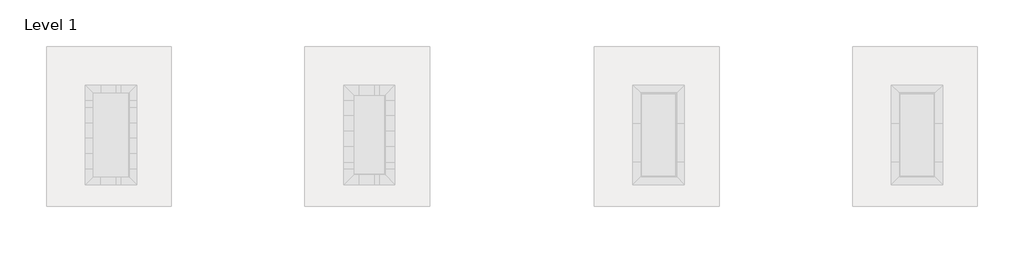
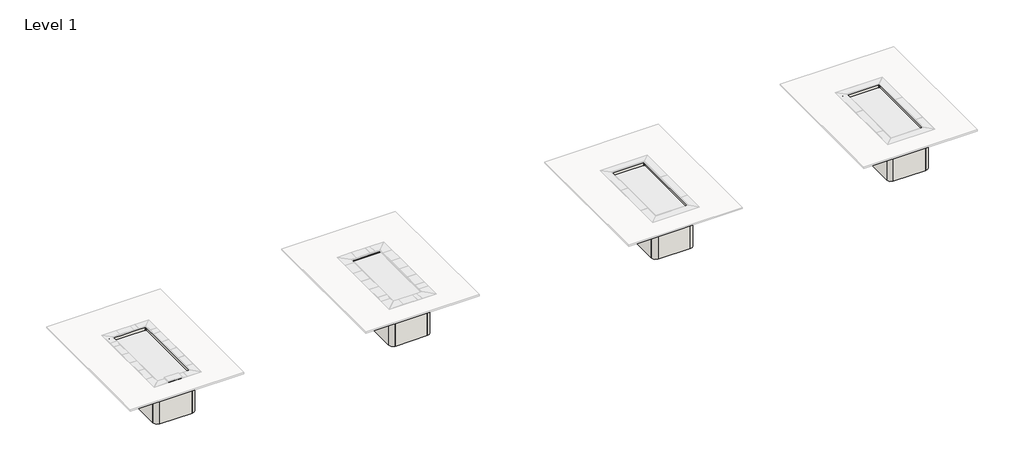
# One storey, part 1 of 2: 32 walls.
"""IFC4 building model written with IfcOpenShell, lengths in millimetres."""

from ifc_helpers import new_model, si_unit, point, frame, frame_2d, origin, place, context, project, spatial, polyline, circle_curve, trimmed, segment, composite_curve, outline, extrude, faceted_brep, element, save
from ifc_brep_helpers import plane_surface, cylinder_surface, revolved_surface, advanced_brep

model = new_model("IFC4")

# Units and contexts
model_context = context("Model", 3, world=origin())
ifc_project = project(units=[si_unit("LENGTHUNIT", "METRE", prefix="MILLI")], contexts=[model_context])

# Site, building, storey
site = spatial("IfcSite", under=ifc_project)
building = spatial("IfcBuilding", under=site)
storey = spatial("IfcBuildingStorey", under=building, Name="Level 1", Elevation=0.0)

# Walls
placement = place(None, origin())
element("IfcWall", 1, ObjectType="Pool - 6\"", at=placement, inside=storey, context=model_context, shape_type="SweptSolid", body=[
    extrude(outline(polyline([(20651.7440621, 4531.3646516), (20651.7440621, 1230.1483634), (20499.3440621, 1230.1483634), (20499.3440621, 4531.3646516), (20651.7440621, 4531.3646516)])), frame((0.0, 0.0, -1828.8), z_axis=(0.0, 0.0, 1.0), x_axis=(1.0, 0.0, 0.0)), (0.0, 0.0, 1.0), 1828.8),
])
element("IfcWall", 2, ObjectType="Pool - 6\"", at=placement, inside=storey, context=model_context, shape_type="SweptSolid", body=[
    extrude(outline(polyline([(19064.2440621, 4721.8646516), (20461.2440621, 4721.8646516), (20461.2440621, 4569.4646516), (19064.2440621, 4569.4646516), (19064.2440621, 4721.8646516)])), frame((0.0, 0.0, -1828.8), z_axis=(0.0, 0.0, 1.0), x_axis=(1.0, 0.0, 0.0)), (0.0, 0.0, 1.0), 1828.8),
])
element("IfcWall", 3, ObjectType="Pool - 6\"", at=placement, inside=storey, context=model_context, shape_type="SweptSolid", body=[
    extrude(outline(polyline([(18873.7440621, 1230.1483634), (18873.7440621, 4531.3646516), (19026.1440621, 4531.3646516), (19026.1440621, 1230.1483634), (18873.7440621, 1230.1483634)])), frame((0.0, 0.0, -1828.8), z_axis=(0.0, 0.0, 1.0), x_axis=(1.0, 0.0, 0.0)), (0.0, 0.0, 1.0), 1828.8),
])
element("IfcWall", 4, ObjectType="Pool - 6\"", at=placement, inside=storey, context=model_context, shape_type="SweptSolid", body=[
    extrude(outline(composite_curve([segment(polyline([(20651.7440621, 4531.3646516), (20499.3440621, 4531.3646516)]), True, "CONTINUOUS"), segment(trimmed(circle_curve(frame_2d((20461.2440621, 4531.3646516)), 38.1), [point((20499.3440621, 4531.3646516))], [point((20461.2440621, 4569.4646516))], True, "CARTESIAN"), True, "CONTINUOUS"), segment(polyline([(20461.2440621, 4569.4646516), (20461.2440621, 4721.8646516)]), True, "CONTINUOUS"), segment(trimmed(circle_curve(frame_2d((20461.2440621, 4531.3646516)), 190.5), [point((20461.2440621, 4721.8646516))], [point((20651.7440621, 4531.3646516))], False, "CARTESIAN"), True, "CONTINUOUS")], self_intersect=False)), frame((0.0, 0.0, -1828.8), z_axis=(0.0, 0.0, 1.0), x_axis=(1.0, 0.0, 0.0)), (0.0, 0.0, 1.0), 1828.8),
])
element("IfcWall", 5, ObjectType="Pool - 6\"", at=placement, inside=storey, context=model_context, shape_type="SweptSolid", body=[
    extrude(outline(composite_curve([segment(polyline([(19026.1440621, 4531.3646516), (18873.7440621, 4531.3646516)]), True, "CONTINUOUS"), segment(trimmed(circle_curve(frame_2d((19064.2440621, 4531.3646516)), 190.5), [point((18873.7440621, 4531.3646516))], [point((19064.2440621, 4721.8646516))], False, "CARTESIAN"), True, "CONTINUOUS"), segment(polyline([(19064.2440621, 4721.8646516), (19064.2440621, 4569.4646516)]), True, "CONTINUOUS"), segment(trimmed(circle_curve(frame_2d((19064.2440621, 4531.3646516)), 38.1), [point((19064.2440621, 4569.4646516))], [point((19026.1440621, 4531.3646516))], True, "CARTESIAN"), True, "CONTINUOUS")], self_intersect=False)), frame((0.0, 0.0, -1828.8), z_axis=(0.0, 0.0, 1.0), x_axis=(1.0, 0.0, 0.0)), (0.0, 0.0, 1.0), 1828.8),
])
element("IfcWall", 6, ObjectType="Pool - 6\"", at=placement, inside=storey, context=model_context, shape_type="Brep", body=[
    faceted_brep([(30862.5440621, 1230.1483634, -1828.8), (30862.5440621, 4531.3646516, -1828.8), (30862.5440621, 4531.3646516, 0.0), (30862.5440621, 1230.1483634, 0.0), (30710.1440621, 1230.1483634, -1828.8), (30710.1440621, 1230.1483634, 0.0), (30710.1440621, 4531.3646516, 0.0), (30710.1440621, 4531.3646516, -1828.8), (30862.1071062, 1230.1483634, -1828.8), (30862.1071062, 1230.1483634, 0.0)], [[[0, 1, 2, 3]], [[4, 5, 6, 7]], [[1, 0, 8, 4, 7]], [[2, 1, 7, 6]], [[3, 2, 6, 5, 9]], [[0, 3, 9, 5, 4, 8]]]),
])
element("IfcWall", 7, ObjectType="Pool - 6\"", at=placement, inside=storey, context=model_context, shape_type="SweptSolid", body=[
    extrude(outline(polyline([(29275.0440621, 4721.8646516), (30672.0440621, 4721.8646516), (30672.0440621, 4569.4646516), (29275.0440621, 4569.4646516), (29275.0440621, 4721.8646516)])), frame((0.0, 0.0, -1828.8), z_axis=(0.0, 0.0, 1.0), x_axis=(1.0, 0.0, 0.0)), (0.0, 0.0, 1.0), 1828.8),
])
element("IfcWall", 8, ObjectType="Pool - 6\"", at=placement, inside=storey, context=model_context, shape_type="Brep", body=[
    faceted_brep([(29084.5440621, 4531.3646516, -1828.8), (29084.5440621, 1230.1483634, -1828.8), (29084.5440621, 1230.1483634, 0.0), (29084.5440621, 4531.3646516, 0.0), (29236.9440621, 4531.3646516, -1828.8), (29236.9440621, 4531.3646516, 0.0), (29236.9440621, 1230.1483634, 0.0), (29236.9440621, 1230.1483634, -1828.8), (29236.5071062, 1230.1483634, -1828.8), (29236.5071062, 1230.1483634, 0.0)], [[[0, 1, 2, 3]], [[4, 5, 6, 7]], [[1, 0, 4, 7, 8]], [[2, 1, 8, 7, 6, 9]], [[3, 2, 9, 6, 5]], [[0, 3, 5, 4]]]),
])
element("IfcWall", 9, ObjectType="Pool - 6\"", at=placement, inside=storey, context=model_context, shape_type="SweptSolid", body=[
    extrude(outline(composite_curve([segment(polyline([(30862.5440621, 4531.3646516), (30710.1440621, 4531.3646516)]), True, "CONTINUOUS"), segment(trimmed(circle_curve(frame_2d((30672.0440621, 4531.3646516)), 38.1), [point((30710.1440621, 4531.3646516))], [point((30672.0440621, 4569.4646516))], True, "CARTESIAN"), True, "CONTINUOUS"), segment(polyline([(30672.0440621, 4569.4646516), (30672.0440621, 4721.8646516)]), True, "CONTINUOUS"), segment(trimmed(circle_curve(frame_2d((30672.0440621, 4531.3646516)), 190.5), [point((30672.0440621, 4721.8646516))], [point((30862.5440621, 4531.3646516))], False, "CARTESIAN"), True, "CONTINUOUS")], self_intersect=False)), frame((0.0, 0.0, -1828.8), z_axis=(0.0, 0.0, 1.0), x_axis=(1.0, 0.0, 0.0)), (0.0, 0.0, 1.0), 1828.8),
])
element("IfcWall", 10, ObjectType="Pool - 6\"", at=placement, inside=storey, context=model_context, shape_type="SweptSolid", body=[
    extrude(outline(composite_curve([segment(polyline([(29236.9440621, 4531.3646516), (29084.5440621, 4531.3646516)]), True, "CONTINUOUS"), segment(trimmed(circle_curve(frame_2d((29275.0440621, 4531.3646516)), 190.5), [point((29084.5440621, 4531.3646516))], [point((29275.0440621, 4721.8646516))], False, "CARTESIAN"), True, "CONTINUOUS"), segment(polyline([(29275.0440621, 4721.8646516), (29275.0440621, 4569.4646516)]), True, "CONTINUOUS"), segment(trimmed(circle_curve(frame_2d((29275.0440621, 4531.3646516)), 38.1), [point((29275.0440621, 4569.4646516))], [point((29236.9440621, 4531.3646516))], True, "CARTESIAN"), True, "CONTINUOUS")], self_intersect=False)), frame((0.0, 0.0, -1828.8), z_axis=(0.0, 0.0, 1.0), x_axis=(1.0, 0.0, 0.0)), (0.0, 0.0, 1.0), 1828.8),
])
element("IfcWall", 11, ObjectType="Pool - 6\"", at=placement, inside=storey, context=model_context, shape_type="Brep", body=[
    faceted_brep([(42292.5440621, 1230.1483634, -1828.8), (42292.5440621, 4531.3646516, -1828.8), (42292.5440621, 4531.3646516, 0.0), (42292.5440621, 1230.1483634, 0.0), (42140.1440621, 1230.1483634, -1828.8), (42140.1440621, 1230.1483634, 0.0), (42140.1440621, 4531.3646516, 0.0), (42140.1440621, 4531.3646516, -1828.8), (42292.1071062, 1230.1483634, -1828.8), (42292.1071062, 1230.1483634, 0.0)], [[[0, 1, 2, 3]], [[4, 5, 6, 7]], [[1, 0, 8, 4, 7]], [[2, 1, 7, 6]], [[3, 2, 6, 5, 9]], [[0, 3, 9, 5, 4, 8]]]),
])
element("IfcWall", 12, ObjectType="Pool - 6\"", at=placement, inside=storey, context=model_context, shape_type="SweptSolid", body=[
    extrude(outline(polyline([(40705.0440621, 4721.8646516), (42102.0440621, 4721.8646516), (42102.0440621, 4569.4646516), (40705.0440621, 4569.4646516), (40705.0440621, 4721.8646516)])), frame((0.0, 0.0, -1828.8), z_axis=(0.0, 0.0, 1.0), x_axis=(1.0, 0.0, 0.0)), (0.0, 0.0, 1.0), 1828.8),
])
element("IfcWall", 13, ObjectType="Pool - 6\"", at=placement, inside=storey, context=model_context, shape_type="Brep", body=[
    faceted_brep([(40514.5440621, 4531.3646516, -1828.8), (40514.5440621, 1230.1483634, -1828.8), (40514.5440621, 1230.1483634, 0.0), (40514.5440621, 4531.3646516, 0.0), (40666.9440621, 4531.3646516, -1828.8), (40666.9440621, 4531.3646516, 0.0), (40666.9440621, 1230.1483634, 0.0), (40666.9440621, 1230.1483634, -1828.8), (40666.5071062, 1230.1483634, -1828.8), (40666.5071062, 1230.1483634, 0.0)], [[[0, 1, 2, 3]], [[4, 5, 6, 7]], [[1, 0, 4, 7, 8]], [[2, 1, 8, 7, 6, 9]], [[3, 2, 9, 6, 5]], [[0, 3, 5, 4]]]),
])
element("IfcWall", 14, ObjectType="Pool - 6\"", at=placement, inside=storey, context=model_context, shape_type="SweptSolid", body=[
    extrude(outline(composite_curve([segment(polyline([(42292.5440621, 4531.3646516), (42140.1440621, 4531.3646516)]), True, "CONTINUOUS"), segment(trimmed(circle_curve(frame_2d((42102.0440621, 4531.3646516)), 38.1), [point((42140.1440621, 4531.3646516))], [point((42102.0440621, 4569.4646516))], True, "CARTESIAN"), True, "CONTINUOUS"), segment(polyline([(42102.0440621, 4569.4646516), (42102.0440621, 4721.8646516)]), True, "CONTINUOUS"), segment(trimmed(circle_curve(frame_2d((42102.0440621, 4531.3646516)), 190.5), [point((42102.0440621, 4721.8646516))], [point((42292.5440621, 4531.3646516))], False, "CARTESIAN"), True, "CONTINUOUS")], self_intersect=False)), frame((0.0, 0.0, -1828.8), z_axis=(0.0, 0.0, 1.0), x_axis=(1.0, 0.0, 0.0)), (0.0, 0.0, 1.0), 1828.8),
])
element("IfcWall", 15, ObjectType="Pool - 6\"", at=placement, inside=storey, context=model_context, shape_type="SweptSolid", body=[
    extrude(outline(composite_curve([segment(polyline([(40666.9440621, 4531.3646516), (40514.5440621, 4531.3646516)]), True, "CONTINUOUS"), segment(trimmed(circle_curve(frame_2d((40705.0440621, 4531.3646516)), 190.5), [point((40514.5440621, 4531.3646516))], [point((40705.0440621, 4721.8646516))], False, "CARTESIAN"), True, "CONTINUOUS"), segment(polyline([(40705.0440621, 4721.8646516), (40705.0440621, 4569.4646516)]), True, "CONTINUOUS"), segment(trimmed(circle_curve(frame_2d((40705.0440621, 4531.3646516)), 38.1), [point((40705.0440621, 4569.4646516))], [point((40666.9440621, 4531.3646516))], True, "CARTESIAN"), True, "CONTINUOUS")], self_intersect=False)), frame((0.0, 0.0, -1828.8), z_axis=(0.0, 0.0, 1.0), x_axis=(1.0, 0.0, 0.0)), (0.0, 0.0, 1.0), 1828.8),
])
element("IfcWall", 16, ObjectType="Pool - 6\"", at=placement, inside=storey, context=model_context, shape_type="Brep", body=[
    faceted_brep([(52503.3440621, 1230.1483634, -1828.8), (52503.3440621, 4531.3646516, -1828.8), (52503.3440621, 4531.3646516, 0.0), (52503.3440621, 1230.1483634, 0.0), (52350.9440621, 1230.1483634, -1828.8), (52350.9440621, 1230.1483634, 0.0), (52350.9440621, 4531.3646516, 0.0), (52350.9440621, 4531.3646516, -1828.8), (52502.9071062, 1230.1483634, -1828.8), (52502.9071062, 1230.1483634, 0.0)], [[[0, 1, 2, 3]], [[4, 5, 6, 7]], [[1, 0, 8, 4, 7]], [[2, 1, 7, 6]], [[3, 2, 6, 5, 9]], [[0, 3, 9, 5, 4, 8]]]),
])
element("IfcWall", 17, ObjectType="Pool - 6\"", at=placement, inside=storey, context=model_context, shape_type="SweptSolid", body=[
    extrude(outline(polyline([(50915.8440621, 4721.8646516), (52312.8440621, 4721.8646516), (52312.8440621, 4569.4646516), (50915.8440621, 4569.4646516), (50915.8440621, 4721.8646516)])), frame((0.0, 0.0, -1828.8), z_axis=(0.0, 0.0, 1.0), x_axis=(1.0, 0.0, 0.0)), (0.0, 0.0, 1.0), 1828.8),
])
element("IfcWall", 18, ObjectType="Pool - 6\"", at=placement, inside=storey, context=model_context, shape_type="Brep", body=[
    faceted_brep([(50725.3440621, 4531.3646516, -1828.8), (50725.3440621, 1230.1483634, -1828.8), (50725.3440621, 1230.1483634, 0.0), (50725.3440621, 4531.3646516, 0.0), (50877.7440621, 4531.3646516, -1828.8), (50877.7440621, 4531.3646516, 0.0), (50877.7440621, 1230.1483634, 0.0), (50877.7440621, 1230.1483634, -1828.8), (50877.3071062, 1230.1483634, -1828.8), (50877.3071062, 1230.1483634, 0.0)], [[[0, 1, 2, 3]], [[4, 5, 6, 7]], [[1, 0, 4, 7, 8]], [[2, 1, 8, 7, 6, 9]], [[3, 2, 9, 6, 5]], [[0, 3, 5, 4]]]),
])
element("IfcWall", 19, ObjectType="Pool - 6\"", at=placement, inside=storey, context=model_context, shape_type="SweptSolid", body=[
    extrude(outline(composite_curve([segment(polyline([(52503.3440621, 4531.3646516), (52350.9440621, 4531.3646516)]), True, "CONTINUOUS"), segment(trimmed(circle_curve(frame_2d((52312.8440621, 4531.3646516)), 38.1), [point((52350.9440621, 4531.3646516))], [point((52312.8440621, 4569.4646516))], True, "CARTESIAN"), True, "CONTINUOUS"), segment(polyline([(52312.8440621, 4569.4646516), (52312.8440621, 4721.8646516)]), True, "CONTINUOUS"), segment(trimmed(circle_curve(frame_2d((52312.8440621, 4531.3646516)), 190.5), [point((52312.8440621, 4721.8646516))], [point((52503.3440621, 4531.3646516))], False, "CARTESIAN"), True, "CONTINUOUS")], self_intersect=False)), frame((0.0, 0.0, -1828.8), z_axis=(0.0, 0.0, 1.0), x_axis=(1.0, 0.0, 0.0)), (0.0, 0.0, 1.0), 1828.8),
])
element("IfcWall", 20, ObjectType="Pool - 6\"", at=placement, inside=storey, context=model_context, shape_type="SweptSolid", body=[
    extrude(outline(composite_curve([segment(polyline([(50877.7440621, 4531.3646516), (50725.3440621, 4531.3646516)]), True, "CONTINUOUS"), segment(trimmed(circle_curve(frame_2d((50915.8440621, 4531.3646516)), 190.5), [point((50725.3440621, 4531.3646516))], [point((50915.8440621, 4721.8646516))], False, "CARTESIAN"), True, "CONTINUOUS"), segment(polyline([(50915.8440621, 4721.8646516), (50915.8440621, 4569.4646516)]), True, "CONTINUOUS"), segment(trimmed(circle_curve(frame_2d((50915.8440621, 4531.3646516)), 38.1), [point((50915.8440621, 4569.4646516))], [point((50877.7440621, 4531.3646516))], True, "CARTESIAN"), True, "CONTINUOUS")], self_intersect=False)), frame((0.0, 0.0, -1828.8), z_axis=(0.0, 0.0, 1.0), x_axis=(1.0, 0.0, 0.0)), (0.0, 0.0, 1.0), 1828.8),
])
element("IfcWall", 21, ObjectType="Pool - 6\"", at=placement, inside=storey, context=model_context, shape_type="SweptSolid", body=[
    extrude(outline(polyline([(19064.2440621, 1192.0483634), (20461.2440621, 1192.0483634), (20461.2440621, 1039.6483634), (19064.2440621, 1039.6483634), (19064.2440621, 1192.0483634)])), frame((0.0, 0.0, -1828.8), z_axis=(0.0, 0.0, 1.0), x_axis=(1.0, 0.0, 0.0)), (0.0, 0.0, 1.0), 1828.8),
])
element("IfcWall", 22, ObjectType="Pool - 6\"", at=placement, inside=storey, context=model_context, shape_type="SweptSolid", body=[
    extrude(outline(composite_curve([segment(polyline([(20499.3440621, 1230.1483634), (20651.7440621, 1230.1483634)]), True, "CONTINUOUS"), segment(trimmed(circle_curve(frame_2d((20461.2440621, 1230.1483634)), 190.5), [point((20651.7440621, 1230.1483634))], [point((20461.2440621, 1039.6483634))], False, "CARTESIAN"), True, "CONTINUOUS"), segment(polyline([(20461.2440621, 1039.6483634), (20461.2440621, 1192.0483634)]), True, "CONTINUOUS"), segment(trimmed(circle_curve(frame_2d((20461.2440621, 1230.1483634)), 38.1), [point((20461.2440621, 1192.0483634))], [point((20499.3440621, 1230.1483634))], True, "CARTESIAN"), True, "CONTINUOUS")], self_intersect=False)), frame((0.0, 0.0, -1828.8), z_axis=(0.0, 0.0, 1.0), x_axis=(1.0, 0.0, 0.0)), (0.0, 0.0, 1.0), 1828.8),
])
element("IfcWall", 23, ObjectType="Pool - 6\"", at=placement, inside=storey, context=model_context, shape_type="SweptSolid", body=[
    extrude(outline(composite_curve([segment(polyline([(18873.7440621, 1230.1483634), (19026.1440621, 1230.1483634)]), True, "CONTINUOUS"), segment(trimmed(circle_curve(frame_2d((19064.2440621, 1230.1483634)), 38.1), [point((19026.1440621, 1230.1483634))], [point((19064.2440621, 1192.0483634))], True, "CARTESIAN"), True, "CONTINUOUS"), segment(polyline([(19064.2440621, 1192.0483634), (19064.2440621, 1039.6483634)]), True, "CONTINUOUS"), segment(trimmed(circle_curve(frame_2d((19064.2440621, 1230.1483634)), 190.5), [point((19064.2440621, 1039.6483634))], [point((18873.7440621, 1230.1483634))], False, "CARTESIAN"), True, "CONTINUOUS")], self_intersect=False)), frame((0.0, 0.0, -1828.8), z_axis=(0.0, 0.0, 1.0), x_axis=(1.0, 0.0, 0.0)), (0.0, 0.0, 1.0), 1828.8),
])
element("IfcWall", 24, ObjectType="Pool - 6\"", at=placement, inside=storey, context=model_context, shape_type="SweptSolid", body=[
    extrude(outline(polyline([(29274.6071062, 1192.0483634), (30671.6071062, 1192.0483634), (30671.6071062, 1039.6483634), (29274.6071062, 1039.6483634), (29274.6071062, 1192.0483634)])), frame((0.0, 0.0, -1828.8), z_axis=(0.0, 0.0, 1.0), x_axis=(1.0, 0.0, 0.0)), (0.0, 0.0, 1.0), 1828.8),
])
element("IfcWall", 25, ObjectType="Pool - 6\"", at=placement, inside=storey, context=model_context, shape_type="AdvancedBrep", body=[
    advanced_brep(
    [(30709.7071062, 1230.1483634, 0.0), (30671.6071062, 1192.0483634, 0.0), (30671.6071062, 1039.6483634, 0.0), (30862.1071062, 1230.1483634, 0.0), (30710.1440621, 1230.1483634, 0.0), (30709.7071062, 1230.1483634, -1828.8), (30710.1440621, 1230.1483634, -1828.8), (30862.1071062, 1230.1483634, -1828.8), (30671.6071062, 1039.6483634, -1828.8), (30671.6071062, 1192.0483634, -1828.8)],
    [
        (0, 1, circle_curve(frame((30671.6071062, 1230.1483634, 0.0), z_axis=(0.0, 0.0, -1.0), x_axis=(1.0, 0.0, 0.0)), 38.1)),
        (1, 2),
        (2, 3, circle_curve(frame((30671.6071062, 1230.1483634, 0.0), z_axis=(0.0, 0.0, 1.0), x_axis=(1.0, 0.0, 0.0)), 190.5)),
        (3, 4),
        (4, 0),
        (5, 6),
        (6, 7),
        (7, 8, circle_curve(frame((30671.6071062, 1230.1483634, -1828.8), z_axis=(0.0, 0.0, -1.0), x_axis=(1.0, 0.0, 0.0)), 190.5)),
        (8, 9),
        (9, 5, circle_curve(frame((30671.6071062, 1230.1483634, -1828.8), z_axis=(0.0, 0.0, 1.0), x_axis=(1.0, 0.0, 0.0)), 38.1)),
        (0, 5),
        (9, 1),
        (8, 2),
        (7, 3),
    ],
    [
        plane_surface(frame((30709.7071062, 1230.1483634, 0.0), z_axis=(0.0, 0.0, 1.0), x_axis=(0.0, -1.0, 0.0))),
        plane_surface(frame((30709.7071062, 1230.1483634, -1828.8), z_axis=(0.0, 0.0, -1.0), x_axis=(0.0, 1.0, 0.0))),
        revolved_surface(polyline([(30709.7071062, 1230.1483634, -1828.8), (30709.7071062, 1230.1483634, 0.0)]), (30671.6071062, 1230.1483634, -1828.8), (0.0, 0.0, -1.0)),
        plane_surface(frame((30671.6071062, 1192.0483634, 0.0), z_axis=(-1.0, 0.0, 0.0), x_axis=(0.0, 0.0, -1.0))),
        cylinder_surface(frame((30671.6071062, 1230.1483634, -1828.8), z_axis=(0.0, 0.0, 1.0), x_axis=(1.0, 0.0, 0.0)), 190.5),
        plane_surface(frame((30862.1071062, 1230.1483634, 0.0), z_axis=(0.0, 1.0, 0.0), x_axis=(0.0, 0.0, -1.0))),
    ],
    [
        (0, [[1, 2, 3, 4, 5]]),
        (1, [[6, 7, 8, 9, 10]]),
        (2, [[-1, 11, -10, 12]]),
        (3, [[-2, -12, -9, 13]]),
        (4, [[-3, -13, -8, 14]]),
        (5, [[-5, -4, -14, -7, -6, -11]]),
    ],
),
])
element("IfcWall", 26, ObjectType="Pool - 6\"", at=placement, inside=storey, context=model_context, shape_type="AdvancedBrep", body=[
    advanced_brep(
    [(29084.1071062, 1230.1483634, 0.0), (29274.6071062, 1039.6483634, 0.0), (29274.6071062, 1192.0483634, 0.0), (29236.5071062, 1230.1483634, 0.0), (29084.5440621, 1230.1483634, 0.0), (29084.1071062, 1230.1483634, -1828.8), (29084.5440621, 1230.1483634, -1828.8), (29236.5071062, 1230.1483634, -1828.8), (29274.6071062, 1192.0483634, -1828.8), (29274.6071062, 1039.6483634, -1828.8)],
    [
        (0, 1, circle_curve(frame((29274.6071062, 1230.1483634, 0.0), z_axis=(0.0, 0.0, 1.0), x_axis=(-1.0, 0.0, 0.0)), 190.5)),
        (1, 2),
        (2, 3, circle_curve(frame((29274.6071062, 1230.1483634, 0.0), z_axis=(0.0, 0.0, -1.0), x_axis=(-1.0, 0.0, 0.0)), 38.1)),
        (3, 4),
        (4, 0),
        (5, 6),
        (6, 7),
        (7, 8, circle_curve(frame((29274.6071062, 1230.1483634, -1828.8), z_axis=(0.0, 0.0, 1.0), x_axis=(-1.0, 0.0, 0.0)), 38.1)),
        (8, 9),
        (9, 5, circle_curve(frame((29274.6071062, 1230.1483634, -1828.8), z_axis=(0.0, 0.0, -1.0), x_axis=(-1.0, 0.0, 0.0)), 190.5)),
        (0, 5),
        (9, 1),
        (8, 2),
        (7, 3),
    ],
    [
        plane_surface(frame((29084.1071062, 1230.1483634, 0.0), z_axis=(0.0, 0.0, 1.0), x_axis=(0.0, -1.0, 0.0))),
        plane_surface(frame((29084.1071062, 1230.1483634, -1828.8), z_axis=(0.0, 0.0, -1.0), x_axis=(0.0, 1.0, 0.0))),
        cylinder_surface(frame((29274.6071062, 1230.1483634, -1828.8), z_axis=(0.0, 0.0, 1.0), x_axis=(-1.0, 0.0, 0.0)), 190.5),
        plane_surface(frame((29274.6071062, 1039.6483634, 0.0), z_axis=(1.0, 0.0, 0.0), x_axis=(0.0, 0.0, -1.0))),
        revolved_surface(polyline([(29236.507106200002, 1230.1483634, -1828.8), (29236.507106200002, 1230.1483634, 0.0)]), (29274.6071062, 1230.1483634, -1828.8), (0.0, 0.0, -1.0)),
        plane_surface(frame((29236.5071062, 1230.1483634, 0.0), z_axis=(0.0, 1.0, 0.0), x_axis=(0.0, 0.0, -1.0))),
    ],
    [
        (0, [[1, 2, 3, 4, 5]]),
        (1, [[6, 7, 8, 9, 10]]),
        (2, [[-1, 11, -10, 12]]),
        (3, [[-2, -12, -9, 13]]),
        (4, [[-3, -13, -8, 14]]),
        (5, [[-5, -4, -14, -7, -6, -11]]),
    ],
),
])
element("IfcWall", 27, ObjectType="Pool - 6\"", at=placement, inside=storey, context=model_context, shape_type="SweptSolid", body=[
    extrude(outline(polyline([(40704.6071062, 1192.0483634), (42101.6071062, 1192.0483634), (42101.6071062, 1039.6483634), (40704.6071062, 1039.6483634), (40704.6071062, 1192.0483634)])), frame((0.0, 0.0, -1828.8), z_axis=(0.0, 0.0, 1.0), x_axis=(1.0, 0.0, 0.0)), (0.0, 0.0, 1.0), 1828.8),
])
element("IfcWall", 28, ObjectType="Pool - 6\"", at=placement, inside=storey, context=model_context, shape_type="AdvancedBrep", body=[
    advanced_brep(
    [(42139.7071062, 1230.1483634, 0.0), (42101.6071062, 1192.0483634, 0.0), (42101.6071062, 1039.6483634, 0.0), (42292.1071062, 1230.1483634, 0.0), (42140.1440621, 1230.1483634, 0.0), (42139.7071062, 1230.1483634, -1828.8), (42140.1440621, 1230.1483634, -1828.8), (42292.1071062, 1230.1483634, -1828.8), (42101.6071062, 1039.6483634, -1828.8), (42101.6071062, 1192.0483634, -1828.8)],
    [
        (0, 1, circle_curve(frame((42101.6071062, 1230.1483634, 0.0), z_axis=(0.0, 0.0, -1.0), x_axis=(1.0, 0.0, 0.0)), 38.1)),
        (1, 2),
        (2, 3, circle_curve(frame((42101.6071062, 1230.1483634, 0.0), z_axis=(0.0, 0.0, 1.0), x_axis=(1.0, 0.0, 0.0)), 190.5)),
        (3, 4),
        (4, 0),
        (5, 6),
        (6, 7),
        (7, 8, circle_curve(frame((42101.6071062, 1230.1483634, -1828.8), z_axis=(0.0, 0.0, -1.0), x_axis=(1.0, 0.0, 0.0)), 190.5)),
        (8, 9),
        (9, 5, circle_curve(frame((42101.6071062, 1230.1483634, -1828.8), z_axis=(0.0, 0.0, 1.0), x_axis=(1.0, 0.0, 0.0)), 38.1)),
        (0, 5),
        (9, 1),
        (8, 2),
        (7, 3),
    ],
    [
        plane_surface(frame((42139.7071062, 1230.1483634, 0.0), z_axis=(0.0, 0.0, 1.0), x_axis=(0.0, -1.0, 0.0))),
        plane_surface(frame((42139.7071062, 1230.1483634, -1828.8), z_axis=(0.0, 0.0, -1.0), x_axis=(0.0, 1.0, 0.0))),
        revolved_surface(polyline([(42139.707106199996, 1230.1483634, -1828.8), (42139.707106199996, 1230.1483634, 0.0)]), (42101.6071062, 1230.1483634, -1828.8), (0.0, 0.0, -1.0)),
        plane_surface(frame((42101.6071062, 1192.0483634, 0.0), z_axis=(-1.0, 0.0, 0.0), x_axis=(0.0, 0.0, -1.0))),
        cylinder_surface(frame((42101.6071062, 1230.1483634, -1828.8), z_axis=(0.0, 0.0, 1.0), x_axis=(1.0, 0.0, 0.0)), 190.5),
        plane_surface(frame((42292.1071062, 1230.1483634, 0.0), z_axis=(0.0, 1.0, 0.0), x_axis=(0.0, 0.0, -1.0))),
    ],
    [
        (0, [[1, 2, 3, 4, 5]]),
        (1, [[6, 7, 8, 9, 10]]),
        (2, [[-1, 11, -10, 12]]),
        (3, [[-2, -12, -9, 13]]),
        (4, [[-3, -13, -8, 14]]),
        (5, [[-5, -4, -14, -7, -6, -11]]),
    ],
),
])
element("IfcWall", 29, ObjectType="Pool - 6\"", at=placement, inside=storey, context=model_context, shape_type="AdvancedBrep", body=[
    advanced_brep(
    [(40514.1071062, 1230.1483634, 0.0), (40704.6071062, 1039.6483634, 0.0), (40704.6071062, 1192.0483634, 0.0), (40666.5071062, 1230.1483634, 0.0), (40514.5440621, 1230.1483634, 0.0), (40514.1071062, 1230.1483634, -1828.8), (40514.5440621, 1230.1483634, -1828.8), (40666.5071062, 1230.1483634, -1828.8), (40704.6071062, 1192.0483634, -1828.8), (40704.6071062, 1039.6483634, -1828.8)],
    [
        (0, 1, circle_curve(frame((40704.6071062, 1230.1483634, 0.0), z_axis=(0.0, 0.0, 1.0), x_axis=(-1.0, 0.0, 0.0)), 190.5)),
        (1, 2),
        (2, 3, circle_curve(frame((40704.6071062, 1230.1483634, 0.0), z_axis=(0.0, 0.0, -1.0), x_axis=(-1.0, 0.0, 0.0)), 38.1)),
        (3, 4),
        (4, 0),
        (5, 6),
        (6, 7),
        (7, 8, circle_curve(frame((40704.6071062, 1230.1483634, -1828.8), z_axis=(0.0, 0.0, 1.0), x_axis=(-1.0, 0.0, 0.0)), 38.1)),
        (8, 9),
        (9, 5, circle_curve(frame((40704.6071062, 1230.1483634, -1828.8), z_axis=(0.0, 0.0, -1.0), x_axis=(-1.0, 0.0, 0.0)), 190.5)),
        (0, 5),
        (9, 1),
        (8, 2),
        (7, 3),
    ],
    [
        plane_surface(frame((40514.1071062, 1230.1483634, 0.0), z_axis=(0.0, 0.0, 1.0), x_axis=(0.0, -1.0, 0.0))),
        plane_surface(frame((40514.1071062, 1230.1483634, -1828.8), z_axis=(0.0, 0.0, -1.0), x_axis=(0.0, 1.0, 0.0))),
        cylinder_surface(frame((40704.6071062, 1230.1483634, -1828.8), z_axis=(0.0, 0.0, 1.0), x_axis=(-1.0, 0.0, 0.0)), 190.5),
        plane_surface(frame((40704.6071062, 1039.6483634, 0.0), z_axis=(1.0, 0.0, 0.0), x_axis=(0.0, 0.0, -1.0))),
        revolved_surface(polyline([(40666.5071062, 1230.1483634, -1828.8), (40666.5071062, 1230.1483634, 0.0)]), (40704.6071062, 1230.1483634, -1828.8), (0.0, 0.0, -1.0)),
        plane_surface(frame((40666.5071062, 1230.1483634, 0.0), z_axis=(0.0, 1.0, 0.0), x_axis=(0.0, 0.0, -1.0))),
    ],
    [
        (0, [[1, 2, 3, 4, 5]]),
        (1, [[6, 7, 8, 9, 10]]),
        (2, [[-1, 11, -10, 12]]),
        (3, [[-2, -12, -9, 13]]),
        (4, [[-3, -13, -8, 14]]),
        (5, [[-5, -4, -14, -7, -6, -11]]),
    ],
),
])
element("IfcWall", 30, ObjectType="Pool - 6\"", at=placement, inside=storey, context=model_context, shape_type="SweptSolid", body=[
    extrude(outline(polyline([(50915.4071062, 1192.0483634), (52312.4071062, 1192.0483634), (52312.4071062, 1039.6483634), (50915.4071062, 1039.6483634), (50915.4071062, 1192.0483634)])), frame((0.0, 0.0, -1828.8), z_axis=(0.0, 0.0, 1.0), x_axis=(1.0, 0.0, 0.0)), (0.0, 0.0, 1.0), 1828.8),
])
element("IfcWall", 31, ObjectType="Pool - 6\"", at=placement, inside=storey, context=model_context, shape_type="AdvancedBrep", body=[
    advanced_brep(
    [(52350.5071062, 1230.1483634, 0.0), (52312.4071062, 1192.0483634, 0.0), (52312.4071062, 1039.6483634, 0.0), (52502.9071062, 1230.1483634, 0.0), (52350.9440621, 1230.1483634, 0.0), (52350.5071062, 1230.1483634, -1828.8), (52350.9440621, 1230.1483634, -1828.8), (52502.9071062, 1230.1483634, -1828.8), (52312.4071062, 1039.6483634, -1828.8), (52312.4071062, 1192.0483634, -1828.8)],
    [
        (0, 1, circle_curve(frame((52312.4071062, 1230.1483634, 0.0), z_axis=(0.0, 0.0, -1.0), x_axis=(1.0, 0.0, 0.0)), 38.1)),
        (1, 2),
        (2, 3, circle_curve(frame((52312.4071062, 1230.1483634, 0.0), z_axis=(0.0, 0.0, 1.0), x_axis=(1.0, 0.0, 0.0)), 190.5)),
        (3, 4),
        (4, 0),
        (5, 6),
        (6, 7),
        (7, 8, circle_curve(frame((52312.4071062, 1230.1483634, -1828.8), z_axis=(0.0, 0.0, -1.0), x_axis=(1.0, 0.0, 0.0)), 190.5)),
        (8, 9),
        (9, 5, circle_curve(frame((52312.4071062, 1230.1483634, -1828.8), z_axis=(0.0, 0.0, 1.0), x_axis=(1.0, 0.0, 0.0)), 38.1)),
        (0, 5),
        (9, 1),
        (8, 2),
        (7, 3),
    ],
    [
        plane_surface(frame((52350.5071062, 1230.1483634, 0.0), z_axis=(0.0, 0.0, 1.0), x_axis=(0.0, -1.0, 0.0))),
        plane_surface(frame((52350.5071062, 1230.1483634, -1828.8), z_axis=(0.0, 0.0, -1.0), x_axis=(0.0, 1.0, 0.0))),
        revolved_surface(polyline([(52350.5071062, 1230.1483634, -1828.8), (52350.5071062, 1230.1483634, 0.0)]), (52312.4071062, 1230.1483634, -1828.8), (0.0, 0.0, -1.0)),
        plane_surface(frame((52312.4071062, 1192.0483634, 0.0), z_axis=(-1.0, 0.0, 0.0), x_axis=(0.0, 0.0, -1.0))),
        cylinder_surface(frame((52312.4071062, 1230.1483634, -1828.8), z_axis=(0.0, 0.0, 1.0), x_axis=(1.0, 0.0, 0.0)), 190.5),
        plane_surface(frame((52502.9071062, 1230.1483634, 0.0), z_axis=(0.0, 1.0, 0.0), x_axis=(0.0, 0.0, -1.0))),
    ],
    [
        (0, [[1, 2, 3, 4, 5]]),
        (1, [[6, 7, 8, 9, 10]]),
        (2, [[-1, 11, -10, 12]]),
        (3, [[-2, -12, -9, 13]]),
        (4, [[-3, -13, -8, 14]]),
        (5, [[-5, -4, -14, -7, -6, -11]]),
    ],
),
])
element("IfcWall", 32, ObjectType="Pool - 6\"", at=placement, inside=storey, context=model_context, shape_type="AdvancedBrep", body=[
    advanced_brep(
    [(50724.9071062, 1230.1483634, 0.0), (50915.4071062, 1039.6483634, 0.0), (50915.4071062, 1192.0483634, 0.0), (50877.3071062, 1230.1483634, 0.0), (50725.3440621, 1230.1483634, 0.0), (50724.9071062, 1230.1483634, -1828.8), (50725.3440621, 1230.1483634, -1828.8), (50877.3071062, 1230.1483634, -1828.8), (50915.4071062, 1192.0483634, -1828.8), (50915.4071062, 1039.6483634, -1828.8)],
    [
        (0, 1, circle_curve(frame((50915.4071062, 1230.1483634, 0.0), z_axis=(0.0, 0.0, 1.0), x_axis=(-1.0, 0.0, 0.0)), 190.5)),
        (1, 2),
        (2, 3, circle_curve(frame((50915.4071062, 1230.1483634, 0.0), z_axis=(0.0, 0.0, -1.0), x_axis=(-1.0, 0.0, 0.0)), 38.1)),
        (3, 4),
        (4, 0),
        (5, 6),
        (6, 7),
        (7, 8, circle_curve(frame((50915.4071062, 1230.1483634, -1828.8), z_axis=(0.0, 0.0, 1.0), x_axis=(-1.0, 0.0, 0.0)), 38.1)),
        (8, 9),
        (9, 5, circle_curve(frame((50915.4071062, 1230.1483634, -1828.8), z_axis=(0.0, 0.0, -1.0), x_axis=(-1.0, 0.0, 0.0)), 190.5)),
        (0, 5),
        (9, 1),
        (8, 2),
        (7, 3),
    ],
    [
        plane_surface(frame((50724.9071062, 1230.1483634, 0.0), z_axis=(0.0, 0.0, 1.0), x_axis=(0.0, -1.0, 0.0))),
        plane_surface(frame((50724.9071062, 1230.1483634, -1828.8), z_axis=(0.0, 0.0, -1.0), x_axis=(0.0, 1.0, 0.0))),
        cylinder_surface(frame((50915.4071062, 1230.1483634, -1828.8), z_axis=(0.0, 0.0, 1.0), x_axis=(-1.0, 0.0, 0.0)), 190.5),
        plane_surface(frame((50915.4071062, 1039.6483634, 0.0), z_axis=(1.0, 0.0, 0.0), x_axis=(0.0, 0.0, -1.0))),
        revolved_surface(polyline([(50877.3071062, 1230.1483634, -1828.8), (50877.3071062, 1230.1483634, 0.0)]), (50915.4071062, 1230.1483634, -1828.8), (0.0, 0.0, -1.0)),
        plane_surface(frame((50877.3071062, 1230.1483634, 0.0), z_axis=(0.0, 1.0, 0.0), x_axis=(0.0, 0.0, -1.0))),
    ],
    [
        (0, [[1, 2, 3, 4, 5]]),
        (1, [[6, 7, 8, 9, 10]]),
        (2, [[-1, 11, -10, 12]]),
        (3, [[-2, -12, -9, 13]]),
        (4, [[-3, -13, -8, 14]]),
        (5, [[-5, -4, -14, -7, -6, -11]]),
    ],
),
])

save(model, "model.ifc")
